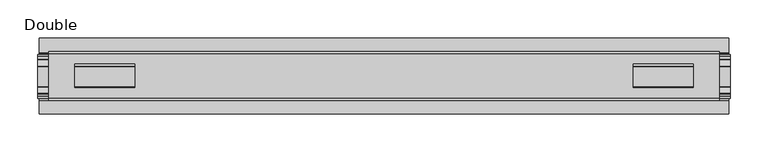
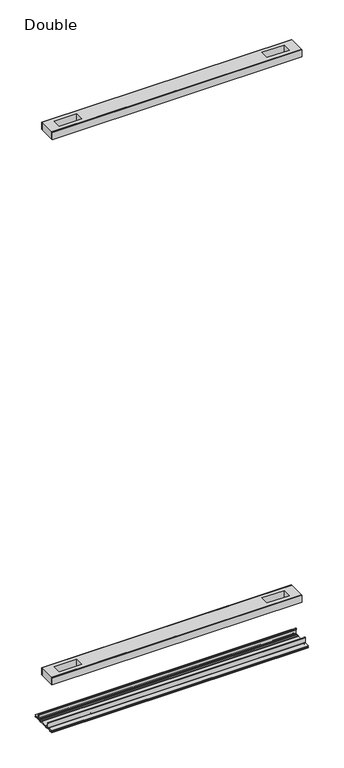
"""IFC4 building model written with IfcOpenShell, lengths in millimetres: proxy geometry, Double."""

from ifc_helpers import new_model, si_unit, point, frame, frame_2d, origin, place, context, project, spatial, polyline, circle_curve, trimmed, segment, composite_curve, outline, extrude, source, transform, mapped, element, save


def double_655977c0(model_context):
    return source(origin(), model_context, "Body", "SweptSolid", [
        extrude(outline(polyline([(441.2615091, 29.0068005), (-441.2615091, 29.0068005), (-441.2615091, 32.1817997), (441.2615091, 32.1817997), (441.2615091, 29.0068005)])), frame((0.0, 0.0, 2186.2851593), z_axis=(0.0, 0.0, 1.0), x_axis=(1.0, 0.0, 0.0)), (0.0, 0.0, 1.0), 25.3999939),
        extrude(outline(polyline([(441.2615091, -32.1817997), (-441.2615091, -32.1817997), (-441.2615091, -29.0068005), (441.2615091, -29.0068005), (441.2615091, -32.1817997)])), frame((0.0, 0.0, 2186.2851593), z_axis=(0.0, 0.0, 1.0), x_axis=(1.0, 0.0, 0.0)), (0.0, 0.0, 1.0), 25.3999939),
        extrude(outline(polyline([(441.2615091, -29.0068005), (-441.2615091, -29.0068005), (-441.2615091, 29.0068005), (441.2615091, 29.0068005), (441.2615091, -29.0068005)]), holes=[polyline([(406.8444965, -15.1130038), (406.8444965, 15.875003), (327.7996847, 15.875003), (327.7996847, -15.1130038), (406.8444965, -15.1130038)]), polyline([(-406.8444965, -15.1130038), (-327.7996847, -15.1130038), (-327.7996847, 15.875003), (-406.8444965, 15.875003), (-406.8444965, -15.1130038)])]), frame((0.0, 0.0, 2184.9851569), z_axis=(0.0, 0.0, 1.0), x_axis=(1.0, 0.0, 0.0)), (0.0, 0.0, 1.0), 27.9999988),
        extrude(outline(polyline([(441.2615091, 29.0068005), (-441.2615091, 29.0068005), (-441.2615091, 32.1817997), (441.2615091, 32.1817997), (441.2615091, 29.0068005)])), frame((0.0, 0.0, 149.8401622), z_axis=(0.0, 0.0, 1.0), x_axis=(1.0, 0.0, 0.0)), (0.0, 0.0, 1.0), 25.3999939),
        extrude(outline(polyline([(441.2615091, -32.1817997), (-441.2615091, -32.1817997), (-441.2615091, -29.0068005), (441.2615091, -29.0068005), (441.2615091, -32.1817997)])), frame((0.0, 0.0, 149.8401622), z_axis=(0.0, 0.0, 1.0), x_axis=(1.0, 0.0, 0.0)), (0.0, 0.0, 1.0), 25.3999939),
        extrude(outline(polyline([(441.2615091, -29.0068005), (-441.2615091, -29.0068005), (-441.2615091, 29.0068005), (441.2615091, 29.0068005), (441.2615091, -29.0068005)]), holes=[polyline([(406.8444965, -15.1130038), (406.8444965, 15.875003), (327.7996847, 15.875003), (327.7996847, -15.1130038), (406.8444965, -15.1130038)]), polyline([(-406.8444965, -15.1130038), (-327.7996847, -15.1130038), (-327.7996847, 15.875003), (-406.8444965, 15.875003), (-406.8444965, -15.1130038)])]), frame((0.0, 0.0, 148.4185847), z_axis=(0.0, 0.0, 1.0), x_axis=(1.0, 0.0, 0.0)), (0.0, 0.0, 1.0), 27.9999988),
        extrude(outline(composite_curve([segment(trimmed(circle_curve(frame_2d((26.6420561, -7.7516037)), 2.17424), [point((28.8162961, -7.7516037))], [point((26.6420561, -9.9258438))], False, "CARTESIAN"), True, "CONTINUOUS"), segment(polyline([(26.6420561, -9.9258438), (22.3510694, -9.9258438)]), True, "CONTINUOUS"), segment(trimmed(circle_curve(frame_2d((17.7706549, -6.4800016)), 5.7318431), [point((22.3510694, -9.9258438))], [point((13.1902404, -9.9258438))], False, "CARTESIAN"), True, "CONTINUOUS"), segment(polyline([(13.1902404, -9.9258438), (-13.57124, -9.9258438)]), True, "CONTINUOUS"), segment(trimmed(circle_curve(frame_2d((-18.1516545, -6.4800016)), 5.7318431), [point((-13.57124, -9.9258438))], [point((-22.732069, -9.9258438))], False, "CARTESIAN"), True, "CONTINUOUS"), segment(polyline([(-22.732069, -9.9258438), (-27.0230557, -9.9258438)]), True, "CONTINUOUS"), segment(trimmed(circle_curve(frame_2d((-27.0230557, -7.7516037)), 2.17424), [point((-27.0230557, -9.9258438))], [point((-29.1972958, -7.7516037))], False, "CARTESIAN"), True, "CONTINUOUS"), segment(polyline([(-29.1972958, -7.7516037), (-29.1972958, 9.8607558)]), True, "CONTINUOUS"), segment(trimmed(circle_curve(frame_2d((-27.9780978, 9.8607558)), 1.2191979), [point((-29.1972958, 9.8607558))], [point((-26.7588999, 9.8607558))], False, "CARTESIAN"), True, "CONTINUOUS"), segment(polyline([(-26.7588999, 9.8607558), (-26.7588999, 5.9999563), (-28.0390765, 5.9999563), (-28.0390765, -7.7516037)]), True, "CONTINUOUS"), segment(trimmed(circle_curve(frame_2d((-27.0230557, -7.7516037)), 1.0160208), [point((-28.0390765, -7.7516037))], [point((-27.0295728, -8.7676036))], True, "CARTESIAN"), True, "CONTINUOUS"), segment(polyline([(-27.0295728, -8.7676036), (-23.0866222, -8.7676036), (-22.1732605, -8.968753)]), True, "CONTINUOUS"), segment(trimmed(circle_curve(frame_2d((-18.1483018, -6.1259382)), 4.9276657), [point((-22.1732605, -8.968753))], [point((-14.123343, -8.968753))], True, "CARTESIAN"), True, "CONTINUOUS"), segment(polyline([(-14.123343, -8.968753), (-13.2099722, -8.7676036), (12.8289726, -8.7676036), (13.7423434, -8.968753)]), True, "CONTINUOUS"), segment(trimmed(circle_curve(frame_2d((17.7673021, -6.1259382)), 4.9276657), [point((13.7423434, -8.968753))], [point((21.7922609, -8.968753))], True, "CARTESIAN"), True, "CONTINUOUS"), segment(polyline([(21.7922609, -8.968753), (22.7056226, -8.7676036), (26.6485732, -8.7676036)]), True, "CONTINUOUS"), segment(trimmed(circle_curve(frame_2d((26.6420561, -7.7516037)), 1.0160208), [point((26.6485732, -8.7676036))], [point((27.6580769, -7.7516037))], True, "CARTESIAN"), True, "CONTINUOUS"), segment(polyline([(27.6580769, -7.7516037), (27.6580769, 5.9999563), (26.3779003, 5.9999563), (26.3779003, 9.8607558)]), True, "CONTINUOUS"), segment(trimmed(circle_curve(frame_2d((27.5970982, 9.8607558)), 1.2191979), [point((26.3779003, 9.8607558))], [point((28.8162961, 9.8607558))], False, "CARTESIAN"), True, "CONTINUOUS"), segment(polyline([(28.8162961, 9.8607558), (28.8162961, -7.7516037)]), True, "CONTINUOUS")], self_intersect=False)), frame((-455.3204, 0.0, 0.0), z_axis=(1.0, 0.0, 0.0), x_axis=(0.0, 1.0, 0.0)), (0.0, 0.0, 1.0), 910.6408),
        extrude(outline(composite_curve([segment(polyline([(50.2668422, -13.9898438), (39.6557522, -13.9898438)]), True, "CONTINUOUS"), segment(trimmed(circle_curve(frame_2d((39.6557522, -12.4658438)), 1.524), [point((39.6557522, -13.9898438))], [point((38.1317522, -12.4658438))], False, "CARTESIAN"), True, "CONTINUOUS"), segment(polyline([(38.1317522, -12.4658438), (38.1317522, -7.766844), (31.3054974, -7.766844), (31.3054974, -10.0528438)]), True, "CONTINUOUS"), segment(trimmed(circle_curve(frame_2d((29.7814974, -10.0528438)), 1.524), [point((31.3054974, -10.0528438))], [point((29.7814974, -11.5768438))], False, "CARTESIAN"), True, "CONTINUOUS"), segment(polyline([(29.7814974, -11.5768438), (23.2753553, -11.5768438)]), True, "CONTINUOUS"), segment(trimmed(circle_curve(frame_2d((17.7673021, -6.4968436)), 7.4930002), [point((23.2753553, -11.5768438))], [point((12.5094972, -11.8354331))], False, "CARTESIAN"), True, "CONTINUOUS"), segment(polyline([(12.5094972, -11.8354331), (-12.8904968, -11.8354331)]), True, "CONTINUOUS"), segment(trimmed(circle_curve(frame_2d((-18.1483018, -6.4968436)), 7.4930002), [point((-12.8904968, -11.8354331))], [point((-23.6563549, -11.5768438))], False, "CARTESIAN"), True, "CONTINUOUS"), segment(polyline([(-23.6563549, -11.5768438), (-30.1624971, -11.5768438)]), True, "CONTINUOUS"), segment(trimmed(circle_curve(frame_2d((-30.1624971, -10.0528438)), 1.524), [point((-30.1624971, -11.5768438))], [point((-31.686497, -10.0528438))], False, "CARTESIAN"), True, "CONTINUOUS"), segment(polyline([(-31.686497, -10.0528438), (-31.686497, -7.766844), (-38.5127519, -7.766844), (-38.5127519, -12.4658438)]), True, "CONTINUOUS"), segment(trimmed(circle_curve(frame_2d((-40.0367518, -12.4658438)), 1.524), [point((-38.5127519, -12.4658438))], [point((-40.0367518, -13.9898438))], False, "CARTESIAN"), True, "CONTINUOUS"), segment(polyline([(-40.0367518, -13.9898438), (-50.00625, -13.9898438), (-50.00625, -12.3388438), (-40.1637503, -12.3388438), (-40.1637503, -7.766844), (-50.00625, -7.766844), (-50.00625, -6.1158439), (-31.6239218, -6.1158439)]), True, "CONTINUOUS"), segment(trimmed(circle_curve(frame_2d((-31.6864982, -7.7656583)), 1.6510007), [point((-31.6239218, -6.1158439))], [point((-30.0354975, -7.7656583))], False, "CARTESIAN"), True, "CONTINUOUS"), segment(polyline([(-30.0354975, -7.7656583), (-30.0354975, -9.9258438), (-23.486834, -9.9258438)]), True, "CONTINUOUS"), segment(trimmed(circle_curve(frame_2d((-18.1483018, -5.2268471)), 7.1119966), [point((-23.486834, -9.9258438))], [point((-12.8097695, -9.9258438))], True, "CARTESIAN"), True, "CONTINUOUS"), segment(polyline([(-12.8097695, -9.9258438), (12.4287699, -9.9258438)]), True, "CONTINUOUS"), segment(trimmed(circle_curve(frame_2d((17.7673021, -5.2268471)), 7.1119966), [point((12.4287699, -9.9258438))], [point((23.1058344, -9.9258438))], True, "CARTESIAN"), True, "CONTINUOUS"), segment(polyline([(23.1058344, -9.9258438), (29.6544978, -9.9258438), (29.6544978, -7.6398436)]), True, "CONTINUOUS"), segment(trimmed(circle_curve(frame_2d((31.1784975, -7.6398436)), 1.5239997), [point((29.6544978, -7.6398436))], [point((31.1784975, -6.1158439))], False, "CARTESIAN"), True, "CONTINUOUS"), segment(polyline([(31.1784975, -6.1158439), (50.2668422, -6.1158439), (50.2240211, -7.766844), (39.7827507, -7.766844), (39.7827507, -12.3388438), (50.2240211, -12.3388438), (50.2668422, -13.9898438)]), True, "CONTINUOUS")], self_intersect=False)), frame((-453.6694, 0.0, 0.0), z_axis=(1.0, 0.0, 0.0), x_axis=(0.0, 1.0, 0.0)), (0.0, 0.0, 1.0), 907.3388),
    ])


if __name__ == "__main__":
    model = new_model("IFC4")
    model_context = context("Model", 3, world=origin())
    ifc_project = project(units=[si_unit("LENGTHUNIT", "METRE", prefix="MILLI")], contexts=[model_context])
    site = spatial("IfcSite", under=ifc_project)
    building = spatial("IfcBuilding", under=site)
    placement = place(None, origin())
    double_shape = double_655977c0(model_context)
    element("IfcBuildingElementProxy", 1, Name="Double", ObjectType="Double", at=placement, inside=building, context=model_context, shape_type="MappedRepresentation", body=[
        mapped(double_shape, transform((0.0, 0.0, 0.0), x_axis=(1.0, 0.0, 0.0), y_axis=(0.0, 1.0, 0.0), z_axis=(0.0, 0.0, 1.0))),
    ])
    save(model, "model.ifc")
